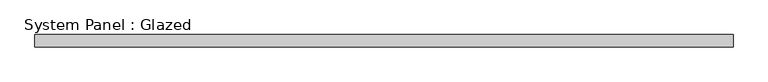
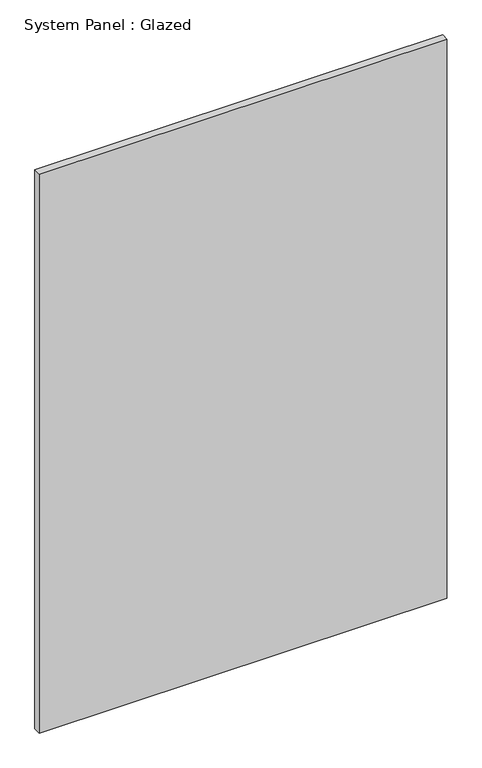
"""IFC4 building model written with IfcOpenShell, lengths in millimetres: plate geometry, System Panel : Glazed."""

from ifc_helpers import new_model, si_unit, origin, origin_with_axes, place, context, project, spatial, polyline, outline, extrude, source, transform, mapped, element, save


def system_panel_glazed_62f69f7a(model_context):
    return source(origin(), model_context, "Body", "SweptSolid", [
        extrude(outline(polyline([(698.6897981, 24.5), (-698.6897981, 24.5), (-698.6897981, 49.5), (698.6897981, 49.5), (698.6897981, 24.5)])), origin_with_axes(), (0.0, 0.0, 1.0), 2025.0),
    ])


if __name__ == "__main__":
    model = new_model("IFC4")
    model_context = context("Model", 3, world=origin())
    ifc_project = project(units=[si_unit("LENGTHUNIT", "METRE", prefix="MILLI")], contexts=[model_context])
    site = spatial("IfcSite", under=ifc_project)
    building = spatial("IfcBuilding", under=site)
    placement = place(None, origin())
    system_panel_glazed_shape = system_panel_glazed_62f69f7a(model_context)
    element("IfcPlate", 1, ObjectType="System Panel : Glazed", at=placement, inside=building, context=model_context, shape_type="MappedRepresentation", body=[
        mapped(system_panel_glazed_shape, transform((0.0, 0.0, 0.0), x_axis=(1.0, 0.0, 0.0), y_axis=(0.0, 1.0, 0.0), z_axis=(0.0, 0.0, 1.0))),
    ])
    save(model, "model.ifc")
